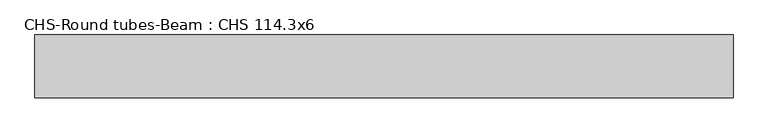
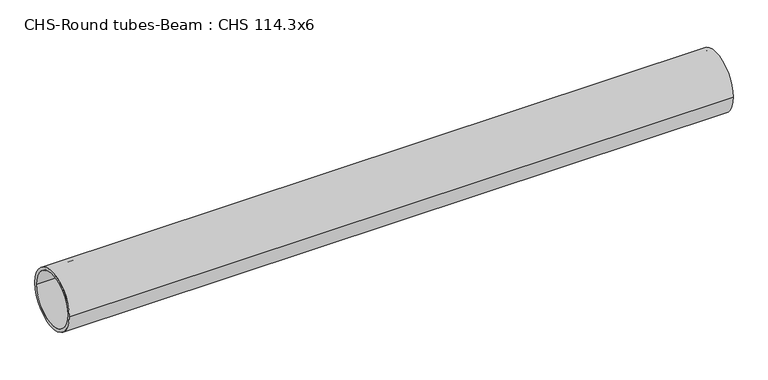
"""IFC4 building model written with IfcOpenShell, lengths in millimetres: beam geometry, CHS-Round tubes-Beam : CHS 114.3x6."""

from ifc_helpers import new_model, si_unit, point, frame, origin, origin_2d, place, context, project, spatial, circle_curve, trimmed, segment, composite_curve, outline, extrude, source, transform, mapped, element, save


def chs_round_tubes_beam_chs_114_3x6_780d1610(model_context):
    return source(origin(), model_context, "Body", "SweptSolid", [
        extrude(outline(composite_curve([segment(trimmed(circle_curve(origin_2d(), 57.15), [point((57.15, 0.0))], [point((-57.15, 0.0))], False, "CARTESIAN"), True, "CONTINUOUS"), segment(trimmed(circle_curve(origin_2d(), 57.15), [point((-57.15, 0.0))], [point((57.15, 0.0))], False, "CARTESIAN"), True, "CONTINUOUS")], self_intersect=False), holes=[composite_curve([segment(trimmed(circle_curve(origin_2d(), 51.15), [point((51.15, 0.0))], [point((-51.15, 0.0))], True, "CARTESIAN"), True, "CONTINUOUS"), segment(trimmed(circle_curve(origin_2d(), 51.15), [point((-51.15, 0.0))], [point((51.15, 0.0))], True, "CARTESIAN"), True, "CONTINUOUS")], self_intersect=False)]), frame((-639.5838476, 0.0, 0.0), z_axis=(1.0, 0.0, 0.0), x_axis=(0.0, 1.0, 0.0)), (0.0, 0.0, 1.0), 1272.8360322),
    ])


if __name__ == "__main__":
    model = new_model("IFC4")
    model_context = context("Model", 3, world=origin())
    ifc_project = project(units=[si_unit("LENGTHUNIT", "METRE", prefix="MILLI")], contexts=[model_context])
    site = spatial("IfcSite", under=ifc_project)
    building = spatial("IfcBuilding", under=site)
    placement = place(None, origin())
    chs_round_tubes_beam_chs_114_3x6_shape = chs_round_tubes_beam_chs_114_3x6_780d1610(model_context)
    element("IfcBeam", 1, ObjectType="CHS-Round tubes-Beam : CHS 114.3x6", at=placement, inside=building, context=model_context, shape_type="MappedRepresentation", body=[
        mapped(chs_round_tubes_beam_chs_114_3x6_shape, transform((0.0, 0.0, 0.0), x_axis=(1.0, 0.0, 0.0), y_axis=(0.0, 1.0, 0.0), z_axis=(0.0, 0.0, 1.0))),
    ])
    save(model, "model.ifc")
